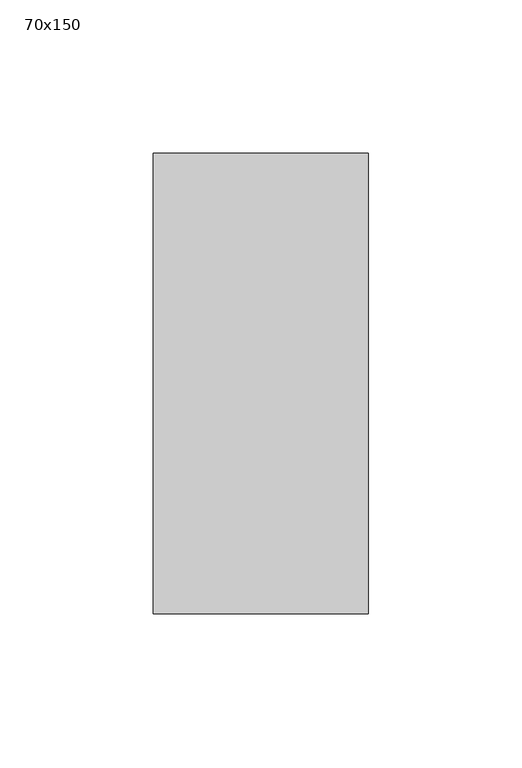
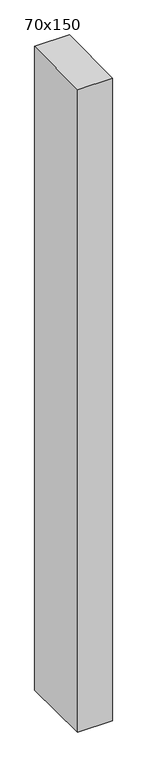
"""IFC4 building model written with IfcOpenShell, lengths in millimetres: member geometry, 70x150."""

from ifc_helpers import new_model, si_unit, frame, origin, place, context, project, spatial, polyline, outline, extrude, source, transform, mapped, element, save


def member_70x150_7dd4caff(model_context):
    return source(origin(), model_context, "Body", "SweptSolid", [
        extrude(outline(polyline([(-75.0, -0.5238321), (75.0, 0.5238321), (75.0, -1372.4373184), (-75.0, -1370.1709129), (-75.0, -0.5238321)])), frame((-70.0, 0.0, 0.0), z_axis=(1.0, 0.0, 0.0), x_axis=(0.0, 1.0, 0.0)), (0.0, 0.0, 1.0), 70.0),
    ])


if __name__ == "__main__":
    model = new_model("IFC4")
    model_context = context("Model", 3, world=origin())
    ifc_project = project(units=[si_unit("LENGTHUNIT", "METRE", prefix="MILLI")], contexts=[model_context])
    site = spatial("IfcSite", under=ifc_project)
    building = spatial("IfcBuilding", under=site)
    placement = place(None, origin())
    member_70x150_shape = member_70x150_7dd4caff(model_context)
    element("IfcMember", 1, ObjectType="70x150", at=placement, inside=building, context=model_context, shape_type="MappedRepresentation", body=[
        mapped(member_70x150_shape, transform((0.0, 0.0, 0.0), x_axis=(1.0, 0.0, 0.0), y_axis=(0.0, 1.0, 0.0), z_axis=(0.0, 0.0, 1.0))),
    ])
    save(model, "model.ifc")
